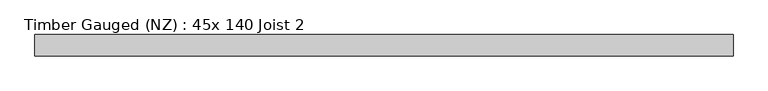
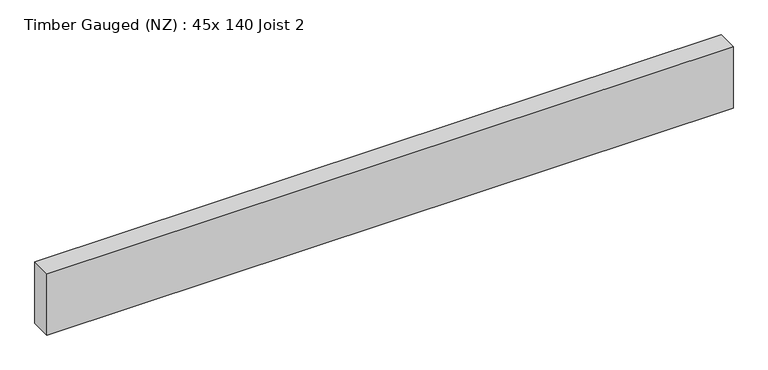
"""IFC4 building model written with IfcOpenShell, lengths in millimetres: beam geometry, Timber Gauged (NZ) : 45x 140 Joist 2."""

from ifc_helpers import new_model, si_unit, frame, origin, place, context, project, spatial, polyline, outline, extrude, source, transform, mapped, element, save


def timber_gauged_nz_45x_140_joist_2_e41fdbf1(model_context):
    return source(origin(), model_context, "Body", "SweptSolid", [
        extrude(outline(polyline([(828.5573834, 22.5), (828.5573834, -22.5), (-651.0246947, -22.5), (-651.0246947, 22.5), (828.5573834, 22.5)])), frame((0.0, 0.0, -70.0), z_axis=(0.0, 0.0, 1.0), x_axis=(1.0, 0.0, 0.0)), (0.0, 0.0, 1.0), 140.0),
    ])


if __name__ == "__main__":
    model = new_model("IFC4")
    model_context = context("Model", 3, world=origin())
    ifc_project = project(units=[si_unit("LENGTHUNIT", "METRE", prefix="MILLI")], contexts=[model_context])
    site = spatial("IfcSite", under=ifc_project)
    building = spatial("IfcBuilding", under=site)
    placement = place(None, origin())
    timber_gauged_nz_45x_140_joist_2_shape = timber_gauged_nz_45x_140_joist_2_e41fdbf1(model_context)
    element("IfcBeam", 1, ObjectType="Timber Gauged (NZ) : 45x 140 Joist 2", at=placement, inside=building, context=model_context, shape_type="MappedRepresentation", body=[
        mapped(timber_gauged_nz_45x_140_joist_2_shape, transform((0.0, 0.0, 0.0), x_axis=(1.0, 0.0, 0.0), y_axis=(0.0, 1.0, 0.0), z_axis=(0.0, 0.0, 1.0))),
    ])
    save(model, "model.ifc")
